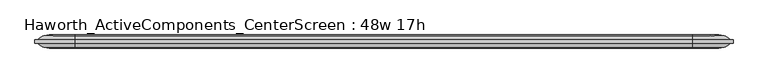
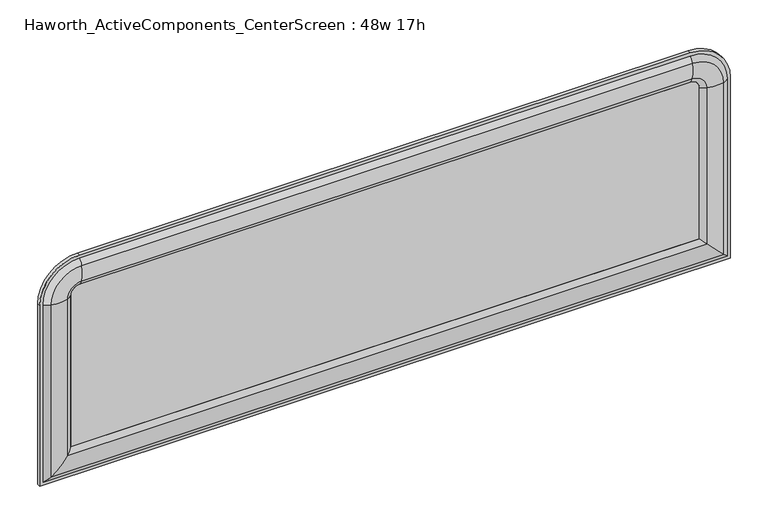
"""IFC4 building model written with IfcOpenShell, lengths in millimetres: furniture geometry, Haworth_ActiveComponents_CenterScreen : 48w 17h."""

from ifc_helpers import new_model, si_unit, point, frame, frame_2d, origin, place, context, project, spatial, polyline, circle_curve, ellipse_curve, trimmed, segment, composite_curve, outline, extrude, source, transform, mapped, element, save
from ifc_brep_helpers import plane_surface, cylinder_surface, revolved_surface, advanced_brep


def haworth_activecomponents_centerscreen_48w_17h_208bdd20(model_context):
    return source(origin(), model_context, "Body", "SolidModel", [
        advanced_brep(
        [(-473.8471882, 166.5621484, 974.0564604), (-473.8471882, 172.9121484, 974.0564604), (-473.8471882, 172.9121484, 639.2852418), (-473.8471882, 166.5621484, 639.2852418), (-458.3190318, 159.9159876, 974.0564604), (-467.9740135, 166.5621484, 974.0564604), (-467.9740135, 166.5621484, 645.1584165), (-458.3190318, 159.9159876, 654.8133982), (-429.3377339, 160.4494239, 974.0564604), (-429.3377339, 160.4494239, 683.794696), (-419.544509, 166.5621484, 974.0564604), (-419.544509, 166.5621484, 693.587921), (-419.544509, 172.9121484, 974.0564604), (-419.544509, 172.9121484, 693.587921), (-429.3377339, 179.024873, 974.0564604), (-429.3377339, 179.024873, 683.794696), (-458.3190318, 179.5583093, 974.0564604), (-458.3190318, 179.5583093, 654.8133982), (-467.9740135, 172.9121484, 974.0564604), (-467.9740135, 172.9121484, 645.1584165), (737.3721859, 172.9121484, 639.2852418), (737.3721859, 166.5621484, 639.2852418), (731.4990112, 166.5621484, 645.1584165), (721.8440295, 159.9159876, 654.8133982), (692.8627317, 160.4494239, 683.794696), (683.0695068, 166.5621484, 693.587921), (683.0695068, 172.9121484, 693.587921), (692.8627317, 179.024873, 683.794696), (721.8440295, 179.5583093, 654.8133982), (731.4990112, 172.9121484, 645.1584165), (737.3721859, 172.9121484, 974.0564604), (737.3721859, 166.5621484, 974.0564604), (731.4990112, 166.5621484, 974.0564604), (721.8440295, 159.9159876, 974.0564604), (692.8627317, 160.4494239, 974.0564604), (683.0695068, 166.5621484, 974.0564604), (683.0695068, 172.9121484, 974.0564604), (692.8627317, 179.024873, 974.0564604), (721.8440295, 179.5583093, 974.0564604), (731.4990112, 172.9121484, 974.0564604), (667.1945068, 166.5621484, 1044.2341395), (667.1945068, 172.9121484, 1044.2341395), (667.1945068, 159.9159876, 1028.7059832), (667.1945068, 166.5621484, 1038.3609648), (667.1945068, 160.4494239, 999.7246853), (667.1945068, 166.5621484, 989.9314604), (667.1945068, 172.9121484, 989.9314604), (667.1945068, 179.024873, 999.7246853), (667.1945068, 179.5583093, 1028.7059832), (667.1945068, 172.9121484, 1038.3609648), (-403.669509, 172.9121484, 1044.2341395), (-403.669509, 166.5621484, 1044.2341395), (-403.669509, 166.5621484, 1038.3609648), (-403.669509, 159.9159876, 1028.7059832), (-403.669509, 160.4494239, 999.7246853), (-403.669509, 166.5621484, 989.9314604), (-403.669509, 172.9121484, 989.9314604), (-403.669509, 179.024873, 999.7246853), (-403.669509, 179.5583093, 1028.7059832), (-403.669509, 172.9121484, 1038.3609648)],
        [
            (0, 1),
            (1, 2),
            (2, 3),
            (3, 0),
            (4, 5, circle_curve(frame((-454.1239346, 176.3463227, 974.0564604), z_axis=(0.0, 0.0, -1.0), x_axis=(0.0, -1.0, 0.0)), 16.9574394)),
            (5, 6),
            (6, 7, ellipse_curve(frame((-454.1239346, 176.3463227, 659.0084954), z_axis=(-0.7071067811865452, 0.0, 0.7071067811865498), x_axis=(0.7071067811865498, 0.0, 0.7071067811865452)), 23.9814408, 16.9574394)),
            (7, 4),
            (8, 4, circle_curve(frame((-444.7981786, 212.871172, 974.0564604), z_axis=(0.0, 0.0, -1.0), x_axis=(0.0, -1.0, 0.0)), 54.6540486)),
            (7, 9, ellipse_curve(frame((-444.7981786, 212.871172, 668.3342514), z_axis=(-0.7071067811865452, 0.0, 0.7071067811865498), x_axis=(0.7071067811865498, 0.0, 0.7071067811865452)), 77.2924967, 54.6540486)),
            (9, 8),
            (10, 8, circle_curve(frame((-435.4325958, 181.115279, 974.0564604), z_axis=(0.0, 0.0, -1.0), x_axis=(0.0, -1.0, 0.0)), 21.5458792)),
            (9, 11, ellipse_curve(frame((-435.4325958, 181.115279, 677.6998342), z_axis=(-0.7071067811865452, 0.0, 0.7071067811865498), x_axis=(0.7071067811865498, 0.0, 0.7071067811865452)), 30.4704745, 21.5458792)),
            (11, 10),
            (12, 10),
            (11, 13),
            (13, 12),
            (14, 12, circle_curve(frame((-435.4325958, 158.3590179, 974.0564604), z_axis=(0.0, 0.0, -1.0), x_axis=(0.0, -1.0, 0.0)), 21.5458792)),
            (13, 15, ellipse_curve(frame((-435.4325958, 158.3590179, 677.6998342), z_axis=(-0.7071067811865452, 0.0, 0.7071067811865498), x_axis=(0.7071067811865498, 0.0, 0.7071067811865452)), 30.4704745, 21.5458792)),
            (15, 14),
            (16, 14, circle_curve(frame((-444.7981786, 126.6031249, 974.0564604), z_axis=(0.0, 0.0, -1.0), x_axis=(0.0, -1.0, 0.0)), 54.6540486)),
            (15, 17, ellipse_curve(frame((-444.7981786, 126.6031249, 668.3342514), z_axis=(-0.7071067811865452, 0.0, 0.7071067811865498), x_axis=(0.7071067811865498, 0.0, 0.7071067811865452)), 77.2924967, 54.6540486)),
            (17, 16),
            (18, 16, circle_curve(frame((-454.1239346, 163.1279742, 974.0564604), z_axis=(0.0, 0.0, -1.0), x_axis=(0.0, -1.0, 0.0)), 16.9574394)),
            (17, 19, ellipse_curve(frame((-454.1239346, 163.1279742, 659.0084954), z_axis=(-0.7071067811865452, 0.0, 0.7071067811865498), x_axis=(0.7071067811865498, 0.0, 0.7071067811865452)), 23.9814408, 16.9574394)),
            (19, 18),
            (2, 20),
            (20, 21),
            (21, 3),
            (6, 22),
            (22, 23, ellipse_curve(frame((717.6489323, 176.3463227, 659.0084954), z_axis=(-0.7071067811865498, 0.0, -0.7071067811865451), x_axis=(-0.7071067811865452, 0.0, 0.7071067811865497)), 23.9814408, 16.9574394)),
            (23, 7),
            (23, 24, ellipse_curve(frame((708.3231764, 212.871172, 668.3342514), z_axis=(-0.7071067811865498, 0.0, -0.7071067811865451), x_axis=(-0.7071067811865452, 0.0, 0.7071067811865497)), 77.2924967, 54.6540486)),
            (24, 9),
            (24, 25, ellipse_curve(frame((698.9575935, 181.115279, 677.6998342), z_axis=(-0.7071067811865498, 0.0, -0.7071067811865451), x_axis=(-0.7071067811865452, 0.0, 0.7071067811865497)), 30.4704745, 21.5458792)),
            (25, 11),
            (25, 26),
            (26, 13),
            (26, 27, ellipse_curve(frame((698.9575935, 158.3590179, 677.6998342), z_axis=(-0.7071067811865498, 0.0, -0.7071067811865451), x_axis=(-0.7071067811865452, 0.0, 0.7071067811865497)), 30.4704745, 21.5458792)),
            (27, 15),
            (27, 28, ellipse_curve(frame((708.3231764, 126.6031249, 668.3342514), z_axis=(-0.7071067811865498, 0.0, -0.7071067811865451), x_axis=(-0.7071067811865452, 0.0, 0.7071067811865497)), 77.2924967, 54.6540486)),
            (28, 17),
            (28, 29, ellipse_curve(frame((717.6489323, 163.1279742, 659.0084954), z_axis=(-0.7071067811865498, 0.0, -0.7071067811865451), x_axis=(-0.7071067811865452, 0.0, 0.7071067811865497)), 23.9814408, 16.9574394)),
            (29, 19),
            (20, 30),
            (30, 31),
            (31, 21),
            (22, 32),
            (32, 33, circle_curve(frame((717.6489323, 176.3463227, 974.0564604), z_axis=(0.0, 0.0, -1.0), x_axis=(0.0, -1.0, 0.0)), 16.9574394)),
            (33, 23),
            (33, 34, circle_curve(frame((708.3231764, 212.871172, 974.0564604), z_axis=(0.0, 0.0, -1.0), x_axis=(0.0, -1.0, 0.0)), 54.6540486)),
            (34, 24),
            (34, 35, circle_curve(frame((698.9575935, 181.115279, 974.0564604), z_axis=(0.0, 0.0, -1.0), x_axis=(0.0, -1.0, 0.0)), 21.5458792)),
            (35, 25),
            (35, 36),
            (36, 26),
            (36, 37, circle_curve(frame((698.9575935, 158.3590179, 974.0564604), z_axis=(0.0, 0.0, -1.0), x_axis=(0.0, -1.0, 0.0)), 21.5458792)),
            (37, 27),
            (37, 38, circle_curve(frame((708.3231764, 126.6031249, 974.0564604), z_axis=(0.0, 0.0, -1.0), x_axis=(0.0, -1.0, 0.0)), 54.6540486)),
            (38, 28),
            (38, 39, circle_curve(frame((717.6489323, 163.1279742, 974.0564604), z_axis=(0.0, 0.0, -1.0), x_axis=(0.0, -1.0, 0.0)), 16.9574394)),
            (39, 29),
            (40, 31, circle_curve(frame((667.1945068, 166.5621484, 974.0564604), z_axis=(0.0, 1.0, 0.0), x_axis=(1.0, 0.0, 0.0)), 70.1776791)),
            (30, 41, circle_curve(frame((667.1945068, 172.9121484, 974.0564604), z_axis=(0.0, -1.0, 0.0), x_axis=(1.0, 0.0, 0.0)), 70.1776791)),
            (41, 40),
            (42, 33, circle_curve(frame((667.1945068, 159.9159876, 974.0564604), z_axis=(0.0, 1.0, 0.0), x_axis=(1.0, 0.0, 0.0)), 54.6495228)),
            (32, 43, circle_curve(frame((667.1945068, 166.5621484, 974.0564604), z_axis=(0.0, -1.0, 0.0), x_axis=(1.0, 0.0, 0.0)), 64.3045045)),
            (43, 42, circle_curve(frame((667.1945068, 176.3463227, 1024.5108859), z_axis=(1.0, 0.0, 0.0), x_axis=(0.0, -1.0, 0.0)), 16.9574394)),
            (44, 34, circle_curve(frame((667.1945068, 160.4494239, 974.0564604), z_axis=(0.0, 1.0, 0.0), x_axis=(1.0, 0.0, 0.0)), 25.6682249)),
            (42, 44, circle_curve(frame((667.1945068, 212.871172, 1015.18513), z_axis=(1.0, 0.0, 0.0), x_axis=(0.0, -1.0, 0.0)), 54.6540486)),
            (45, 35, circle_curve(frame((667.1945068, 166.5621484, 974.0564604), z_axis=(0.0, 1.0, 0.0), x_axis=(1.0, 0.0, 0.0)), 15.875)),
            (44, 45, circle_curve(frame((667.1945068, 181.115279, 1005.8195471), z_axis=(1.0, 0.0, 0.0), x_axis=(0.0, -1.0, 0.0)), 21.5458792)),
            (46, 36, circle_curve(frame((667.1945068, 172.9121484, 974.0564604), z_axis=(0.0, 1.0, 0.0), x_axis=(1.0, 0.0, 0.0)), 15.875)),
            (45, 46),
            (47, 37, circle_curve(frame((667.1945068, 179.024873, 974.0564604), z_axis=(0.0, 1.0, 0.0), x_axis=(1.0, 0.0, 0.0)), 25.6682249)),
            (46, 47, circle_curve(frame((667.1945068, 158.3590179, 1005.8195471), z_axis=(1.0, 0.0, 0.0), x_axis=(0.0, -1.0, 0.0)), 21.5458792)),
            (48, 38, circle_curve(frame((667.1945068, 179.5583093, 974.0564604), z_axis=(0.0, 1.0, 0.0), x_axis=(1.0, 0.0, 0.0)), 54.6495228)),
            (47, 48, circle_curve(frame((667.1945068, 126.6031249, 1015.18513), z_axis=(1.0, 0.0, 0.0), x_axis=(0.0, -1.0, 0.0)), 54.6540486)),
            (49, 39, circle_curve(frame((667.1945068, 172.9121484, 974.0564604), z_axis=(0.0, 1.0, 0.0), x_axis=(1.0, 0.0, 0.0)), 64.3045045)),
            (48, 49, circle_curve(frame((667.1945068, 163.1279742, 1024.5108859), z_axis=(1.0, 0.0, 0.0), x_axis=(0.0, -1.0, 0.0)), 16.9574394)),
            (41, 50),
            (50, 51),
            (51, 40),
            (43, 52),
            (52, 53, circle_curve(frame((-403.669509, 176.3463227, 1024.5108859), z_axis=(1.0, 0.0, 0.0), x_axis=(0.0, -1.0, 0.0)), 16.9574394)),
            (53, 42),
            (53, 54, circle_curve(frame((-403.669509, 212.871172, 1015.18513), z_axis=(1.0, 0.0, 0.0), x_axis=(0.0, -1.0, 0.0)), 54.6540486)),
            (54, 44),
            (54, 55, circle_curve(frame((-403.669509, 181.115279, 1005.8195471), z_axis=(1.0, 0.0, 0.0), x_axis=(0.0, -1.0, 0.0)), 21.5458792)),
            (55, 45),
            (55, 56),
            (56, 46),
            (56, 57, circle_curve(frame((-403.669509, 158.3590179, 1005.8195471), z_axis=(1.0, 0.0, 0.0), x_axis=(0.0, -1.0, 0.0)), 21.5458792)),
            (57, 47),
            (57, 58, circle_curve(frame((-403.669509, 126.6031249, 1015.18513), z_axis=(1.0, 0.0, 0.0), x_axis=(0.0, -1.0, 0.0)), 54.6540486)),
            (58, 48),
            (58, 59, circle_curve(frame((-403.669509, 163.1279742, 1024.5108859), z_axis=(1.0, 0.0, 0.0), x_axis=(0.0, -1.0, 0.0)), 16.9574394)),
            (59, 49),
            (0, 51, circle_curve(frame((-403.669509, 166.5621484, 974.0564604), z_axis=(0.0, 1.0, 0.0), x_axis=(0.0, 0.0, 1.0)), 70.1776791)),
            (50, 1, circle_curve(frame((-403.669509, 172.9121484, 974.0564604), z_axis=(0.0, -1.0, 0.0), x_axis=(0.0, 0.0, 1.0)), 70.1776791)),
            (5, 52, circle_curve(frame((-403.669509, 166.5621484, 974.0564604), z_axis=(0.0, 1.0, 0.0), x_axis=(0.0, 0.0, 1.0)), 64.3045045)),
            (4, 53, circle_curve(frame((-403.669509, 159.9159876, 974.0564604), z_axis=(0.0, 1.0, 0.0), x_axis=(0.0, 0.0, 1.0)), 54.6495228)),
            (8, 54, circle_curve(frame((-403.669509, 160.4494239, 974.0564604), z_axis=(0.0, 1.0, 0.0), x_axis=(0.0, 0.0, 1.0)), 25.6682249)),
            (10, 55, circle_curve(frame((-403.669509, 166.5621484, 974.0564604), z_axis=(0.0, 1.0, 0.0), x_axis=(0.0, 0.0, 1.0)), 15.875)),
            (12, 56, circle_curve(frame((-403.669509, 172.9121484, 974.0564604), z_axis=(0.0, 1.0, 0.0), x_axis=(0.0, 0.0, 1.0)), 15.875)),
            (14, 57, circle_curve(frame((-403.669509, 179.024873, 974.0564604), z_axis=(0.0, 1.0, 0.0), x_axis=(0.0, 0.0, 1.0)), 25.6682249)),
            (16, 58, circle_curve(frame((-403.669509, 179.5583093, 974.0564604), z_axis=(0.0, 1.0, 0.0), x_axis=(0.0, 0.0, 1.0)), 54.6495228)),
            (18, 59, circle_curve(frame((-403.669509, 172.9121484, 974.0564604), z_axis=(0.0, 1.0, 0.0), x_axis=(0.0, 0.0, 1.0)), 64.3045045)),
        ],
        [
            plane_surface(frame((-473.8471882, 172.9121484, 974.0564604), z_axis=(-1.0, 0.0, 0.0), x_axis=(0.0, 0.0, -1.0))),
            cylinder_surface(frame((-454.1239346, 176.3463227, 974.0564604), z_axis=(0.0, 0.0, 1.0), x_axis=(0.0, -1.0, 0.0)), 16.9574394),
            cylinder_surface(frame((-444.7981786, 212.871172, 974.0564604), z_axis=(0.0, 0.0, 1.0), x_axis=(0.0, -1.0, 0.0)), 54.6540486),
            cylinder_surface(frame((-435.4325958, 181.115279, 974.0564604), z_axis=(0.0, 0.0, 1.0), x_axis=(0.0, -1.0, 0.0)), 21.5458792),
            plane_surface(frame((-419.544509, 166.5621484, 974.0564604), z_axis=(1.0, 0.0, 0.0), x_axis=(0.0, 0.0, -1.0))),
            cylinder_surface(frame((-435.4325958, 158.3590179, 974.0564604), z_axis=(0.0, 0.0, 1.0), x_axis=(0.0, -1.0, 0.0)), 21.5458792),
            cylinder_surface(frame((-444.7981786, 126.6031249, 974.0564604), z_axis=(0.0, 0.0, 1.0), x_axis=(0.0, -1.0, 0.0)), 54.6540486),
            cylinder_surface(frame((-454.1239346, 163.1279742, 974.0564604), z_axis=(0.0, 0.0, 1.0), x_axis=(0.0, -1.0, 0.0)), 16.9574394),
            plane_surface(frame((-473.8471882, 172.9121484, 639.2852418), z_axis=(0.0, 0.0, -1.0), x_axis=(1.0, 0.0, 0.0))),
            cylinder_surface(frame((-419.544509, 176.3463227, 659.0084954), z_axis=(-1.0, 0.0, 0.0), x_axis=(0.0, -1.0, 0.0)), 16.9574394),
            cylinder_surface(frame((-419.544509, 212.871172, 668.3342514), z_axis=(-1.0, 0.0, 0.0), x_axis=(0.0, -1.0, 0.0)), 54.6540486),
            cylinder_surface(frame((-419.544509, 181.115279, 677.6998342), z_axis=(-1.0, 0.0, 0.0), x_axis=(0.0, -1.0, 0.0)), 21.5458792),
            plane_surface(frame((-419.544509, 166.5621484, 693.587921), z_axis=(0.0, 0.0, 1.0), x_axis=(1.0, 0.0, 0.0))),
            cylinder_surface(frame((-419.544509, 158.3590179, 677.6998342), z_axis=(-1.0, 0.0, 0.0), x_axis=(0.0, -1.0, 0.0)), 21.5458792),
            cylinder_surface(frame((-419.544509, 126.6031249, 668.3342514), z_axis=(-1.0, 0.0, 0.0), x_axis=(0.0, -1.0, 0.0)), 54.6540486),
            cylinder_surface(frame((-419.544509, 163.1279742, 659.0084954), z_axis=(-1.0, 0.0, 0.0), x_axis=(0.0, -1.0, 0.0)), 16.9574394),
            plane_surface(frame((737.3721859, 172.9121484, 639.2852418), z_axis=(1.0, 0.0, 0.0), x_axis=(0.0, 0.0, 1.0))),
            cylinder_surface(frame((717.6489323, 176.3463227, 693.587921), z_axis=(0.0, 0.0, -1.0), x_axis=(0.0, -1.0, 0.0)), 16.9574394),
            cylinder_surface(frame((708.3231764, 212.871172, 693.587921), z_axis=(0.0, 0.0, -1.0), x_axis=(0.0, -1.0, 0.0)), 54.6540486),
            cylinder_surface(frame((698.9575935, 181.115279, 693.587921), z_axis=(0.0, 0.0, -1.0), x_axis=(0.0, -1.0, 0.0)), 21.5458792),
            plane_surface(frame((683.0695068, 166.5621484, 693.587921), z_axis=(-1.0, 0.0, 0.0), x_axis=(0.0, 0.0, 1.0))),
            cylinder_surface(frame((698.9575935, 158.3590179, 693.587921), z_axis=(0.0, 0.0, -1.0), x_axis=(0.0, -1.0, 0.0)), 21.5458792),
            cylinder_surface(frame((708.3231764, 126.6031249, 693.587921), z_axis=(0.0, 0.0, -1.0), x_axis=(0.0, -1.0, 0.0)), 54.6540486),
            cylinder_surface(frame((717.6489323, 163.1279742, 693.587921), z_axis=(0.0, 0.0, -1.0), x_axis=(0.0, -1.0, 0.0)), 16.9574394),
            cylinder_surface(frame((667.1945068, 166.5621484, 974.0564604), z_axis=(0.0, -1.0, 0.0), x_axis=(1.0, 0.0, 0.0)), 70.1776791),
            revolved_surface(trimmed(ellipse_curve(frame((717.6489323, 176.3463227, 974.0564604), z_axis=(0.0, 0.0, -1.0), x_axis=(0.0, -1.0, 0.0)), 16.9574394, 16.9574394), [point((731.4990112, 166.5621484, 974.0564604))], [point((721.8440295, 159.9159876, 974.0564604))], True, "CARTESIAN"), (667.1945068, 166.5621484, 974.0564604), (0.0, -1.0, 0.0)),
            revolved_surface(trimmed(ellipse_curve(frame((708.3231764, 212.871172, 974.0564604), z_axis=(0.0, 0.0, -1.0), x_axis=(0.0, -1.0, 0.0)), 54.6540486, 54.6540486), [point((721.8440295, 159.9159876, 974.0564604))], [point((692.8627317, 160.4494239, 974.0564604))], True, "CARTESIAN"), (667.1945068, 166.5621484, 974.0564604), (0.0, -1.0, 0.0)),
            revolved_surface(trimmed(ellipse_curve(frame((698.9575935, 181.115279, 974.0564604), z_axis=(0.0, 0.0, -1.0), x_axis=(0.0, -1.0, 0.0)), 21.5458792, 21.5458792), [point((692.8627317, 160.4494239, 974.0564604))], [point((683.0695068, 166.5621484, 974.0564604))], True, "CARTESIAN"), (667.1945068, 166.5621484, 974.0564604), (0.0, -1.0, 0.0)),
            revolved_surface(polyline([(683.0695068, 166.5621484, 974.0564604), (683.0695068, 172.9121484, 974.0564604)]), (667.1945068, 166.5621484, 974.0564604), (0.0, -1.0, 0.0)),
            revolved_surface(trimmed(ellipse_curve(frame((698.9575935, 158.3590179, 974.0564604), z_axis=(0.0, 0.0, -1.0), x_axis=(0.0, -1.0, 0.0)), 21.5458792, 21.5458792), [point((683.0695068, 172.9121484, 974.0564604))], [point((692.8627317, 179.024873, 974.0564604))], True, "CARTESIAN"), (667.1945068, 166.5621484, 974.0564604), (0.0, -1.0, 0.0)),
            revolved_surface(trimmed(ellipse_curve(frame((708.3231764, 126.6031249, 974.0564604), z_axis=(0.0, 0.0, -1.0), x_axis=(0.0, -1.0, 0.0)), 54.6540486, 54.6540486), [point((692.8627317, 179.024873, 974.0564604))], [point((721.8440295, 179.5583093, 974.0564604))], True, "CARTESIAN"), (667.1945068, 166.5621484, 974.0564604), (0.0, -1.0, 0.0)),
            revolved_surface(trimmed(ellipse_curve(frame((717.6489323, 163.1279742, 974.0564604), z_axis=(0.0, 0.0, -1.0), x_axis=(0.0, -1.0, 0.0)), 16.9574394, 16.9574394), [point((721.8440295, 179.5583093, 974.0564604))], [point((731.4990112, 172.9121484, 974.0564604))], True, "CARTESIAN"), (667.1945068, 166.5621484, 974.0564604), (0.0, -1.0, 0.0)),
            plane_surface(frame((667.1945068, 172.9121484, 1044.2341395), z_axis=(0.0, 0.0, 1.0), x_axis=(-1.0, 0.0, 0.0))),
            cylinder_surface(frame((667.1945068, 176.3463227, 1024.5108859), z_axis=(1.0, 0.0, 0.0), x_axis=(0.0, -1.0, 0.0)), 16.9574394),
            cylinder_surface(frame((667.1945068, 212.871172, 1015.18513), z_axis=(1.0, 0.0, 0.0), x_axis=(0.0, -1.0, 0.0)), 54.6540486),
            cylinder_surface(frame((667.1945068, 181.115279, 1005.8195471), z_axis=(1.0, 0.0, 0.0), x_axis=(0.0, -1.0, 0.0)), 21.5458792),
            plane_surface(frame((667.1945068, 166.5621484, 989.9314604), z_axis=(0.0, 0.0, -1.0), x_axis=(-1.0, 0.0, 0.0))),
            cylinder_surface(frame((667.1945068, 158.3590179, 1005.8195471), z_axis=(1.0, 0.0, 0.0), x_axis=(0.0, -1.0, 0.0)), 21.5458792),
            cylinder_surface(frame((667.1945068, 126.6031249, 1015.18513), z_axis=(1.0, 0.0, 0.0), x_axis=(0.0, -1.0, 0.0)), 54.6540486),
            cylinder_surface(frame((667.1945068, 163.1279742, 1024.5108859), z_axis=(1.0, 0.0, 0.0), x_axis=(0.0, -1.0, 0.0)), 16.9574394),
            cylinder_surface(frame((-403.669509, 166.5621484, 974.0564604), z_axis=(0.0, -1.0, 0.0), x_axis=(0.0, 0.0, 1.0)), 70.1776791),
            plane_surface(frame((-403.669509, 166.5621484, 974.0564604), z_axis=(0.0, -1.0, 0.0), x_axis=(0.0, 0.0, 1.0))),
            revolved_surface(trimmed(ellipse_curve(frame((-403.669509, 176.3463227, 1024.5108859), z_axis=(1.0, 0.0, 0.0), x_axis=(0.0, -1.0, 0.0)), 16.9574394, 16.9574394), [point((-403.669509, 166.5621484, 1038.3609648))], [point((-403.669509, 159.9159876, 1028.7059832))], True, "CARTESIAN"), (-403.669509, 166.5621484, 974.0564604), (0.0, -1.0, 0.0)),
            revolved_surface(trimmed(ellipse_curve(frame((-403.669509, 212.871172, 1015.18513), z_axis=(1.0, 0.0, 0.0), x_axis=(0.0, -1.0, 0.0)), 54.6540486, 54.6540486), [point((-403.669509, 159.9159876, 1028.7059832))], [point((-403.669509, 160.4494239, 999.7246853))], True, "CARTESIAN"), (-403.669509, 166.5621484, 974.0564604), (0.0, -1.0, 0.0)),
            revolved_surface(trimmed(ellipse_curve(frame((-403.669509, 181.115279, 1005.8195471), z_axis=(1.0, 0.0, 0.0), x_axis=(0.0, -1.0, 0.0)), 21.5458792, 21.5458792), [point((-403.669509, 160.4494239, 999.7246853))], [point((-403.669509, 166.5621484, 989.9314604))], True, "CARTESIAN"), (-403.669509, 166.5621484, 974.0564604), (0.0, -1.0, 0.0)),
            revolved_surface(polyline([(-403.669509, 166.5621484, 989.9314604), (-403.669509, 172.9121484, 989.9314604)]), (-403.669509, 166.5621484, 974.0564604), (0.0, -1.0, 0.0)),
            revolved_surface(trimmed(ellipse_curve(frame((-403.669509, 158.3590179, 1005.8195471), z_axis=(1.0, 0.0, 0.0), x_axis=(0.0, -1.0, 0.0)), 21.5458792, 21.5458792), [point((-403.669509, 172.9121484, 989.9314604))], [point((-403.669509, 179.024873, 999.7246853))], True, "CARTESIAN"), (-403.669509, 166.5621484, 974.0564604), (0.0, -1.0, 0.0)),
            revolved_surface(trimmed(ellipse_curve(frame((-403.669509, 126.6031249, 1015.18513), z_axis=(1.0, 0.0, 0.0), x_axis=(0.0, -1.0, 0.0)), 54.6540486, 54.6540486), [point((-403.669509, 179.024873, 999.7246853))], [point((-403.669509, 179.5583093, 1028.7059832))], True, "CARTESIAN"), (-403.669509, 166.5621484, 974.0564604), (0.0, -1.0, 0.0)),
            revolved_surface(trimmed(ellipse_curve(frame((-403.669509, 163.1279742, 1024.5108859), z_axis=(1.0, 0.0, 0.0), x_axis=(0.0, -1.0, 0.0)), 16.9574394, 16.9574394), [point((-403.669509, 179.5583093, 1028.7059832))], [point((-403.669509, 172.9121484, 1038.3609648))], True, "CARTESIAN"), (-403.669509, 166.5621484, 974.0564604), (0.0, -1.0, 0.0)),
            plane_surface(frame((-403.669509, 172.9121484, 974.0564604), z_axis=(0.0, 1.0, 0.0), x_axis=(0.0, 0.0, 1.0))),
        ],
        [
            (0, [[1, 2, 3, 4]]),
            (1, [[5, 6, 7, 8]]),
            (2, [[9, -8, 10, 11]]),
            (3, [[12, -11, 13, 14]]),
            (4, [[15, -14, 16, 17]]),
            (5, [[18, -17, 19, 20]]),
            (6, [[21, -20, 22, 23]]),
            (7, [[24, -23, 25, 26]]),
            (8, [[-3, 27, 28, 29]]),
            (9, [[-7, 30, 31, 32]]),
            (10, [[-10, -32, 33, 34]]),
            (11, [[-13, -34, 35, 36]]),
            (12, [[-16, -36, 37, 38]]),
            (13, [[-19, -38, 39, 40]]),
            (14, [[-22, -40, 41, 42]]),
            (15, [[-25, -42, 43, 44]]),
            (16, [[-28, 45, 46, 47]]),
            (17, [[-31, 48, 49, 50]]),
            (18, [[-33, -50, 51, 52]]),
            (19, [[-35, -52, 53, 54]]),
            (20, [[-37, -54, 55, 56]]),
            (21, [[-39, -56, 57, 58]]),
            (22, [[-41, -58, 59, 60]]),
            (23, [[-43, -60, 61, 62]]),
            (24, [[63, -46, 64, 65]]),
            (25, [[66, -49, 67, 68]]),
            (26, [[69, -51, -66, 70]]),
            (27, [[71, -53, -69, 72]]),
            (28, [[73, -55, -71, 74]]),
            (29, [[75, -57, -73, 76]]),
            (30, [[77, -59, -75, 78]]),
            (31, [[79, -61, -77, 80]]),
            (32, [[-65, 81, 82, 83]]),
            (33, [[-68, 84, 85, 86]]),
            (34, [[-70, -86, 87, 88]]),
            (35, [[-72, -88, 89, 90]]),
            (36, [[-74, -90, 91, 92]]),
            (37, [[-76, -92, 93, 94]]),
            (38, [[-78, -94, 95, 96]]),
            (39, [[-80, -96, 97, 98]]),
            (40, [[99, -82, 100, -1]]),
            (41, [[-63, -83, -99, -4, -29, -47], [101, -84, -67, -48, -30, -6]]),
            (42, [[102, -85, -101, -5]]),
            (43, [[103, -87, -102, -9]]),
            (44, [[104, -89, -103, -12]]),
            (45, [[105, -91, -104, -15]]),
            (46, [[106, -93, -105, -18]]),
            (47, [[107, -95, -106, -21]]),
            (48, [[108, -97, -107, -24]]),
            (49, [[-100, -81, -64, -45, -27, -2], [-79, -98, -108, -26, -44, -62]]),
        ],
    ),
        extrude(outline(composite_curve([segment(polyline([(693.587921, 683.0695068), (974.0564604, 683.0695068)]), True, "CONTINUOUS"), segment(trimmed(circle_curve(frame_2d((974.0564604, 667.1945068)), 15.875), [point((974.0564604, 683.0695068))], [point((989.9314604, 667.1945068))], False, "CARTESIAN"), True, "CONTINUOUS"), segment(polyline([(989.9314604, 667.1945068), (989.9314604, -403.669509)]), True, "CONTINUOUS"), segment(trimmed(circle_curve(frame_2d((974.0564604, -403.669509)), 15.875), [point((989.9314604, -403.669509))], [point((974.0564604, -419.544509))], False, "CARTESIAN"), True, "CONTINUOUS"), segment(polyline([(974.0564604, -419.544509), (693.587921, -419.544509), (693.587921, 683.0695068)]), True, "CONTINUOUS")], self_intersect=False)), frame((0.0, 166.5621484, 0.0), z_axis=(0.0, 1.0, 0.0), x_axis=(0.0, 0.0, 1.0)), (0.0, 0.0, 1.0), 6.35),
    ])


if __name__ == "__main__":
    model = new_model("IFC4")
    model_context = context("Model", 3, world=origin())
    ifc_project = project(units=[si_unit("LENGTHUNIT", "METRE", prefix="MILLI")], contexts=[model_context])
    site = spatial("IfcSite", under=ifc_project)
    building = spatial("IfcBuilding", under=site)
    placement = place(None, origin())
    haworth_activecomponents_centerscreen_48w_17h_shape = haworth_activecomponents_centerscreen_48w_17h_208bdd20(model_context)
    element("IfcFurniture", 1, ObjectType="Haworth_ActiveComponents_CenterScreen : 48w 17h", at=placement, inside=building, context=model_context, shape_type="MappedRepresentation", body=[
        mapped(haworth_activecomponents_centerscreen_48w_17h_shape, transform((0.0, 0.0, 0.0), x_axis=(1.0, 0.0, 0.0), y_axis=(0.0, 1.0, 0.0), z_axis=(0.0, 0.0, 1.0))),
    ])
    save(model, "model.ifc")
